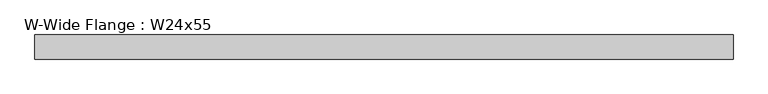
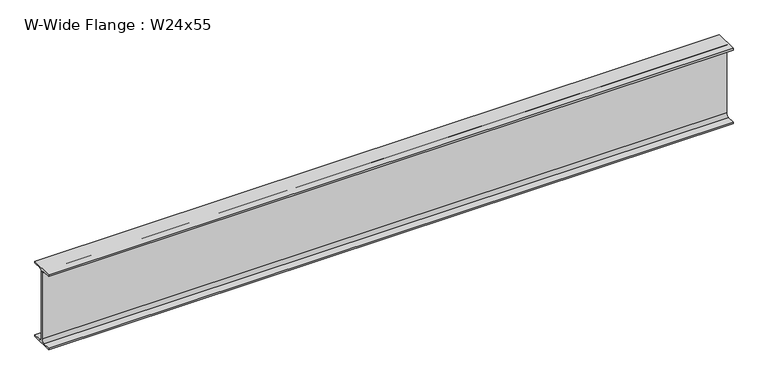
"""IFC4 building model written with IfcOpenShell, lengths in millimetres: beam geometry, W-Wide Flange : W24x55."""

from ifc_helpers import new_model, si_unit, point, frame, frame_2d, origin, place, context, project, spatial, polyline, circle_curve, trimmed, segment, composite_curve, outline, extrude, source, transform, mapped, element, save


def w_wide_flange_w24x55_9603f826(model_context):
    return source(origin(), model_context, "Body", "SweptSolid", [
        extrude(outline(composite_curve([segment(polyline([(89.027, -286.893), (89.027, -299.72), (-89.027, -299.72), (-89.027, -286.893), (-28.702, -286.893)]), True, "CONTINUOUS"), segment(trimmed(circle_curve(frame_2d((-28.702, -263.2075)), 23.6855), [point((-28.702, -286.893))], [point((-5.0165, -263.2075))], True, "CARTESIAN"), True, "CONTINUOUS"), segment(polyline([(-5.0165, -263.2075), (-5.0165, 263.2075)]), True, "CONTINUOUS"), segment(trimmed(circle_curve(frame_2d((-28.702, 263.2075)), 23.6855), [point((-5.0165, 263.2075))], [point((-28.702, 286.893))], True, "CARTESIAN"), True, "CONTINUOUS"), segment(polyline([(-28.702, 286.893), (-89.027, 286.893), (-89.027, 299.72), (89.027, 299.72), (89.027, 286.893), (28.702, 286.893)]), True, "CONTINUOUS"), segment(trimmed(circle_curve(frame_2d((28.702, 263.2075)), 23.6855), [point((28.702, 286.893))], [point((5.0165, 263.2075))], True, "CARTESIAN"), True, "CONTINUOUS"), segment(polyline([(5.0165, 263.2075), (5.0165, -263.2075)]), True, "CONTINUOUS"), segment(trimmed(circle_curve(frame_2d((28.702, -263.2075)), 23.6855), [point((5.0165, -263.2075))], [point((28.702, -286.893))], True, "CARTESIAN"), True, "CONTINUOUS"), segment(polyline([(28.702, -286.893), (89.027, -286.893)]), True, "CONTINUOUS")], self_intersect=False)), frame((-2576.83, 0.0, 0.0), z_axis=(1.0, 0.0, 0.0), x_axis=(0.0, 1.0, 0.0)), (0.0, 0.0, 1.0), 5153.66),
    ])


if __name__ == "__main__":
    model = new_model("IFC4")
    model_context = context("Model", 3, world=origin())
    ifc_project = project(units=[si_unit("LENGTHUNIT", "METRE", prefix="MILLI")], contexts=[model_context])
    site = spatial("IfcSite", under=ifc_project)
    building = spatial("IfcBuilding", under=site)
    placement = place(None, origin())
    w_wide_flange_w24x55_shape = w_wide_flange_w24x55_9603f826(model_context)
    element("IfcBeam", 1, ObjectType="W-Wide Flange : W24x55", at=placement, inside=building, context=model_context, shape_type="MappedRepresentation", body=[
        mapped(w_wide_flange_w24x55_shape, transform((0.0, 0.0, 0.0), x_axis=(1.0, 0.0, 0.0), y_axis=(0.0, 1.0, 0.0), z_axis=(0.0, 0.0, 1.0))),
    ])
    save(model, "model.ifc")
